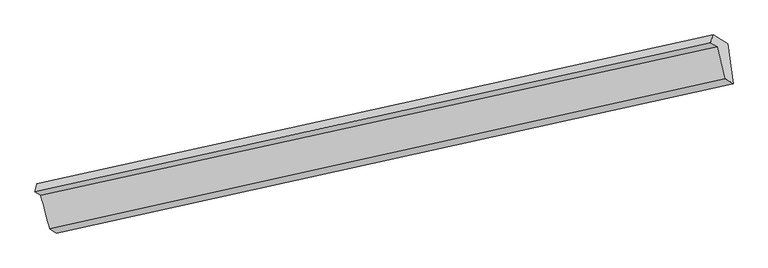
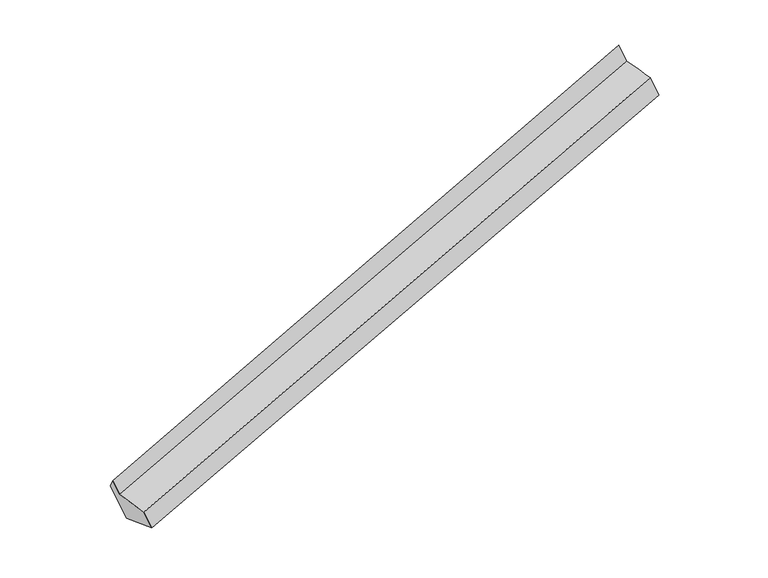
"""IFC4 building model written with IfcOpenShell, lengths in millimetres: proxy geometry."""

from ifc_helpers import new_model, si_unit, frame, origin, place, context, project, spatial, source, transform, mapped, element, save
from ifc_brep_helpers import plane_surface, spline_surface, advanced_brep


def generic_models_dcd3b58c(model_context):
    return source(origin(), model_context, "Body", "AdvancedBrep", [
        advanced_brep(
        [(-5955.2330884, -2101.2543118, 1056.3386698), (-5874.5243035, -2402.8024978, 1012.186759), (235.7454734, -1046.7357905, 2888.6311359), (159.7720016, -756.8457532, 2925.820856), (-6008.4142702, -2068.54636, 1205.690796), (97.5649111, -718.5866087, 3100.5210209), (-5991.6348912, -1993.6043236, 1096.7963353), (124.200151, -649.7062094, 2963.9477134), (-5864.9828636, -2071.4989524, 741.1113173), (254.1374656, -729.6213839, 2599.0364131), (-5813.3210183, -2440.4442732, 840.3056452), (304.4592702, -1088.996746, 2695.6577699)],
        [
            (0, 1),
            (1, 2),
            (2, 3),
            (3, 0),
            (4, 0),
            (3, 5),
            (5, 4),
            (6, 4),
            (5, 7),
            (7, 6),
            (8, 6),
            (7, 9),
            (9, 8),
            (10, 8),
            (9, 11),
            (11, 10),
            (1, 10),
            (11, 2),
        ],
        [
            spline_surface(1, 1, [[(-5955.2330884, -2101.2543118, 1056.3386698), (159.7720016, -756.8457532, 2925.820856)], [(-5874.5243035, -2402.8024978, 1012.186759), (235.7454734, -1046.7357905, 2888.6311359)]], [2, 2], [2, 2], [0.0, 1.0], [0.0, 1.0]),
            plane_surface(frame((-5981.8236793, -2084.9003359, 1131.0147329), z_axis=(0.13202140893775965, -0.957435100568907, 0.2566873112966349), x_axis=(0.32852869762123293, -0.20205456987699566, -0.9226282272026576))),
            spline_surface(1, 1, [[(-5991.6348912, -1993.6043236, 1096.7963353), (124.200151, -649.7062094, 2963.9477134)], [(-6008.4142702, -2068.54636, 1205.690796), (97.5649111, -718.5866087, 3100.5210209)]], [2, 2], [2, 2], [0.0, 1.0], [0.0, 1.0]),
            plane_surface(frame((-5928.3088774, -2032.551638, 918.9538263), z_axis=(-0.1320214089377461, 0.9574351005688986, -0.2566873112966732), x_axis=(-0.32852869762123094, 0.20205456987703704, 0.9226282272026493))),
            plane_surface(frame((-5839.151941, -2255.9716128, 790.7084812), z_axis=(0.3249492011616668, -0.20284953488073448, -0.9237207818724574), x_axis=(-0.13400406557086555, 0.9569958778898595, -0.2572971047491523))),
            plane_surface(frame((-5843.9226609, -2421.6233855, 926.2462021), z_axis=(0.13345252971038457, -0.9571185063293488, 0.257127569808793), x_axis=(0.3285286976211445, -0.20205456987693005, -0.9226282272027035))),
            plane_surface(frame((195.9798788, -831.7487486, 2862.2691515), z_axis=(0.934939466088441, 0.20816541618069023, 0.2873244755613083), x_axis=(-0.32852869762123094, 0.20205456987703704, 0.9226282272026493))),
            plane_surface(frame((-5918.0184059, -2179.6917865, 992.0715871), z_axis=(-0.9349394660884702, -0.2081654161807075, -0.2873244755612013), x_axis=(-0.2559996649230644, 0.9564787116726793, 0.1400451558471425))),
        ],
        [
            (0, [[1, 2, 3, 4]]),
            (1, [[5, -4, 6, 7]]),
            (2, [[8, -7, 9, 10]]),
            (3, [[11, -10, 12, 13]]),
            (4, [[14, -13, 15, 16]]),
            (5, [[17, -16, 18, -2]]),
            (6, [[-12, -9, -6, -3, -18, -15]]),
            (7, [[-1, -5, -8, -11, -14, -17]]),
        ],
    ),
    ])


if __name__ == "__main__":
    model = new_model("IFC4")
    model_context = context("Model", 3, world=origin())
    ifc_project = project(units=[si_unit("LENGTHUNIT", "METRE", prefix="MILLI")], contexts=[model_context])
    site = spatial("IfcSite", under=ifc_project)
    building = spatial("IfcBuilding", under=site)
    placement = place(None, origin())
    generic_models_shape = generic_models_dcd3b58c(model_context)
    element("IfcBuildingElementProxy", 1, Name="Generic Models", at=placement, inside=building, context=model_context, shape_type="MappedRepresentation", body=[
        mapped(generic_models_shape, transform((0.0, 0.0, 0.0), x_axis=(1.0, 0.0, 0.0), y_axis=(0.0, 1.0, 0.0), z_axis=(0.0, 0.0, 1.0))),
    ])
    save(model, "model.ifc")
